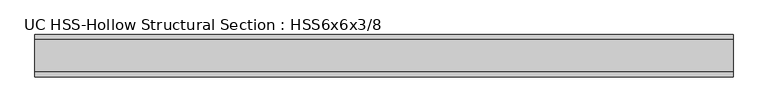
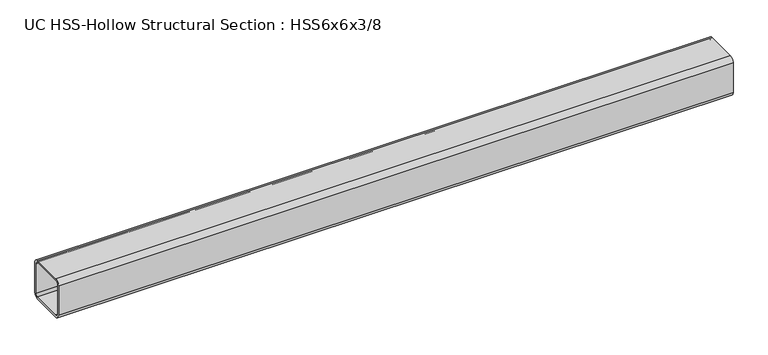
"""IFC4 building model written with IfcOpenShell, lengths in millimetres: beam geometry, UC HSS-Hollow Structural Section : HSS6x6x3/8."""

from ifc_helpers import new_model, si_unit, point, frame, frame_2d, origin, place, context, project, spatial, polyline, circle_curve, trimmed, segment, composite_curve, outline, extrude, source, transform, mapped, element, save


def uc_hss_hollow_structural_section_hss6x6x3_8_f63fc246(model_context):
    return source(origin(), model_context, "Body", "SweptSolid", [
        extrude(outline(composite_curve([segment(trimmed(circle_curve(frame_2d((-58.4708, 58.4708)), 17.7292), [point((-76.2, 58.4708))], [point((-58.4708, 76.2))], False, "CARTESIAN"), True, "CONTINUOUS"), segment(polyline([(-58.4708, 76.2), (58.4708, 76.2)]), True, "CONTINUOUS"), segment(trimmed(circle_curve(frame_2d((58.4708, 58.4708)), 17.7292), [point((58.4708, 76.2))], [point((76.2, 58.4708))], False, "CARTESIAN"), True, "CONTINUOUS"), segment(polyline([(76.2, 58.4708), (76.2, -58.4708)]), True, "CONTINUOUS"), segment(trimmed(circle_curve(frame_2d((58.4708, -58.4708)), 17.7292), [point((76.2, -58.4708))], [point((58.4708, -76.2))], False, "CARTESIAN"), True, "CONTINUOUS"), segment(polyline([(58.4708, -76.2), (-58.4708, -76.2)]), True, "CONTINUOUS"), segment(trimmed(circle_curve(frame_2d((-58.4708, -58.4708)), 17.7292), [point((-58.4708, -76.2))], [point((-76.2, -58.4708))], False, "CARTESIAN"), True, "CONTINUOUS"), segment(polyline([(-76.2, -58.4708), (-76.2, 58.4708)]), True, "CONTINUOUS")], self_intersect=False), holes=[composite_curve([segment(polyline([(58.4708, 67.3354), (-58.4708, 67.3354)]), True, "CONTINUOUS"), segment(trimmed(circle_curve(frame_2d((-58.4708, 58.4708)), 8.8646), [point((-58.4708, 67.3354))], [point((-67.3354, 58.4708))], True, "CARTESIAN"), True, "CONTINUOUS"), segment(polyline([(-67.3354, 58.4708), (-67.3354, -58.4708)]), True, "CONTINUOUS"), segment(trimmed(circle_curve(frame_2d((-58.4708, -58.4708)), 8.8646), [point((-67.3354, -58.4708))], [point((-58.4708, -67.3354))], True, "CARTESIAN"), True, "CONTINUOUS"), segment(polyline([(-58.4708, -67.3354), (58.4708, -67.3354)]), True, "CONTINUOUS"), segment(trimmed(circle_curve(frame_2d((58.4708, -58.4708)), 8.8646), [point((58.4708, -67.3354))], [point((67.3354, -58.4708))], True, "CARTESIAN"), True, "CONTINUOUS"), segment(polyline([(67.3354, -58.4708), (67.3354, 58.4708)]), True, "CONTINUOUS"), segment(trimmed(circle_curve(frame_2d((58.4708, 58.4708)), 8.8646), [point((67.3354, 58.4708))], [point((58.4708, 67.3354))], True, "CARTESIAN"), True, "CONTINUOUS")], self_intersect=False)]), frame((-1206.5, 0.0, 0.0), z_axis=(1.0, 0.0, 0.0), x_axis=(0.0, 1.0, 0.0)), (0.0, 0.0, 1.0), 2514.5999994),
    ])


if __name__ == "__main__":
    model = new_model("IFC4")
    model_context = context("Model", 3, world=origin())
    ifc_project = project(units=[si_unit("LENGTHUNIT", "METRE", prefix="MILLI")], contexts=[model_context])
    site = spatial("IfcSite", under=ifc_project)
    building = spatial("IfcBuilding", under=site)
    placement = place(None, origin())
    uc_hss_hollow_structural_section_hss6x6x3_8_shape = uc_hss_hollow_structural_section_hss6x6x3_8_f63fc246(model_context)
    element("IfcBeam", 1, ObjectType="UC HSS-Hollow Structural Section : HSS6x6x3/8", at=placement, inside=building, context=model_context, shape_type="MappedRepresentation", body=[
        mapped(uc_hss_hollow_structural_section_hss6x6x3_8_shape, transform((0.0, 0.0, 0.0), x_axis=(1.0, 0.0, 0.0), y_axis=(0.0, 1.0, 0.0), z_axis=(0.0, 0.0, 1.0))),
    ])
    save(model, "model.ifc")
